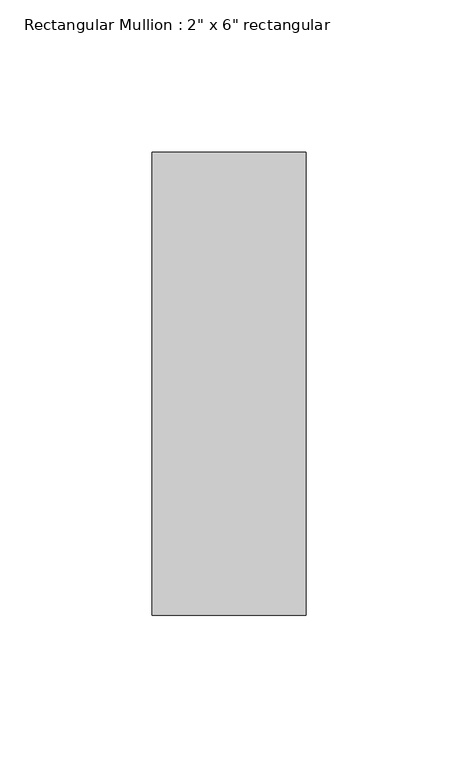
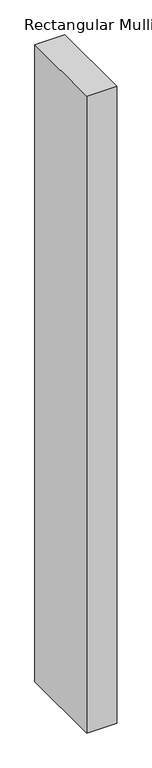
"""IFC4 building model written with IfcOpenShell, lengths in millimetres: member geometry."""

from ifc_helpers import new_model, si_unit, frame, origin, place, context, project, spatial, polyline, outline, extrude, source, transform, mapped, element, save


def member_fbca0ec1(model_context):
    return source(origin(), model_context, "Body", "SweptSolid", [
        extrude(outline(polyline([(0.0, 76.2), (0.0, -76.2), (-50.8, -76.2), (-50.8, 76.2), (0.0, 76.2)])), frame((0.0, 0.0, -1143.2385718), z_axis=(0.0, 0.0, 1.0), x_axis=(1.0, 0.0, 0.0)), (0.0, 0.0, 1.0), 1143.2385718),
    ])


if __name__ == "__main__":
    model = new_model("IFC4")
    model_context = context("Model", 3, world=origin())
    ifc_project = project(units=[si_unit("LENGTHUNIT", "METRE", prefix="MILLI")], contexts=[model_context])
    site = spatial("IfcSite", under=ifc_project)
    building = spatial("IfcBuilding", under=site)
    placement = place(None, origin())
    member_shape = member_fbca0ec1(model_context)
    element("IfcMember", 1, ObjectType="Rectangular Mullion : 2\" x 6\" rectangular", at=placement, inside=building, context=model_context, shape_type="MappedRepresentation", body=[
        mapped(member_shape, transform((0.0, 0.0, 0.0), x_axis=(1.0, 0.0, 0.0), y_axis=(0.0, 1.0, 0.0), z_axis=(0.0, 0.0, 1.0))),
    ])
    save(model, "model.ifc")
